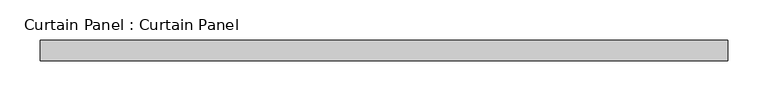
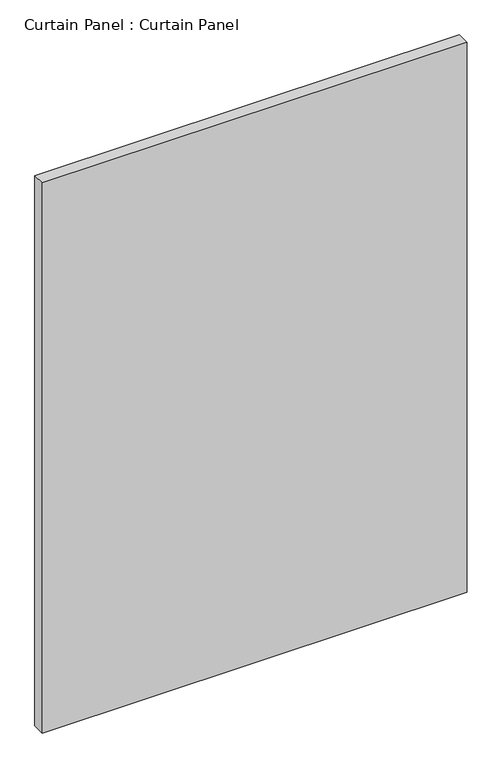
"""IFC4 building model written with IfcOpenShell, lengths in millimetres: plate geometry, Curtain Panel : Curtain Panel."""

from ifc_helpers import new_model, si_unit, frame, origin, place, context, project, spatial, polyline, outline, extrude, source, transform, mapped, element, save


def curtain_panel_curtain_panel_274bbe1f(model_context):
    return source(origin(), model_context, "Body", "SweptSolid", [
        extrude(outline(polyline([(-83812.1926747, 9772.932775), (-84662.1526349, 9772.932775), (-84662.1526349, 9798.332775), (-83812.1926747, 9798.332775), (-83812.1926747, 9772.932775)])), frame((0.0, 0.0, 2453.3404146), z_axis=(0.0, 0.0, 1.0), x_axis=(1.0, 0.0, 0.0)), (0.0, 0.0, 1.0), 1162.9845854),
    ])


if __name__ == "__main__":
    model = new_model("IFC4")
    model_context = context("Model", 3, world=origin())
    ifc_project = project(units=[si_unit("LENGTHUNIT", "METRE", prefix="MILLI")], contexts=[model_context])
    site = spatial("IfcSite", under=ifc_project)
    building = spatial("IfcBuilding", under=site)
    placement = place(None, origin())
    curtain_panel_curtain_panel_shape = curtain_panel_curtain_panel_274bbe1f(model_context)
    element("IfcPlate", 1, ObjectType="Curtain Panel : Curtain Panel", at=placement, inside=building, context=model_context, shape_type="MappedRepresentation", body=[
        mapped(curtain_panel_curtain_panel_shape, transform((0.0, 0.0, 0.0), x_axis=(1.0, 0.0, 0.0), y_axis=(0.0, 1.0, 0.0), z_axis=(0.0, 0.0, 1.0))),
    ])
    save(model, "model.ifc")
